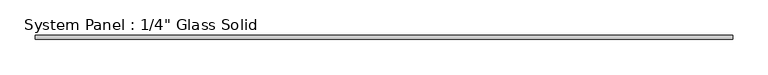
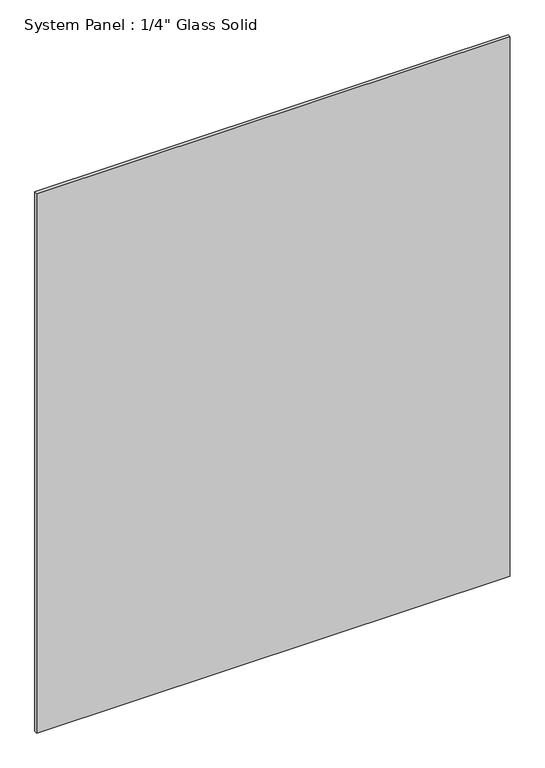
"""IFC4 building model written with IfcOpenShell, lengths in millimetres: plate geometry."""

from ifc_helpers import new_model, si_unit, origin, origin_with_axes, place, context, project, spatial, polyline, outline, extrude, source, transform, mapped, element, save


def plate_0b4becd2(model_context):
    return source(origin(), model_context, "Body", "SweptSolid", [
        extrude(outline(polyline([(498.4758852, -3.175), (-498.4758852, -3.175), (-498.4758852, 3.175), (498.4758852, 3.175), (498.4758852, -3.175)])), origin_with_axes(), (0.0, 0.0, 1.0), 1200.1517704),
    ])


if __name__ == "__main__":
    model = new_model("IFC4")
    model_context = context("Model", 3, world=origin())
    ifc_project = project(units=[si_unit("LENGTHUNIT", "METRE", prefix="MILLI")], contexts=[model_context])
    site = spatial("IfcSite", under=ifc_project)
    building = spatial("IfcBuilding", under=site)
    placement = place(None, origin())
    plate_shape = plate_0b4becd2(model_context)
    element("IfcPlate", 1, ObjectType="System Panel : 1/4\" Glass Solid", at=placement, inside=building, context=model_context, shape_type="MappedRepresentation", body=[
        mapped(plate_shape, transform((0.0, 0.0, 0.0), x_axis=(1.0, 0.0, 0.0), y_axis=(0.0, 1.0, 0.0), z_axis=(0.0, 0.0, 1.0))),
    ])
    save(model, "model.ifc")
